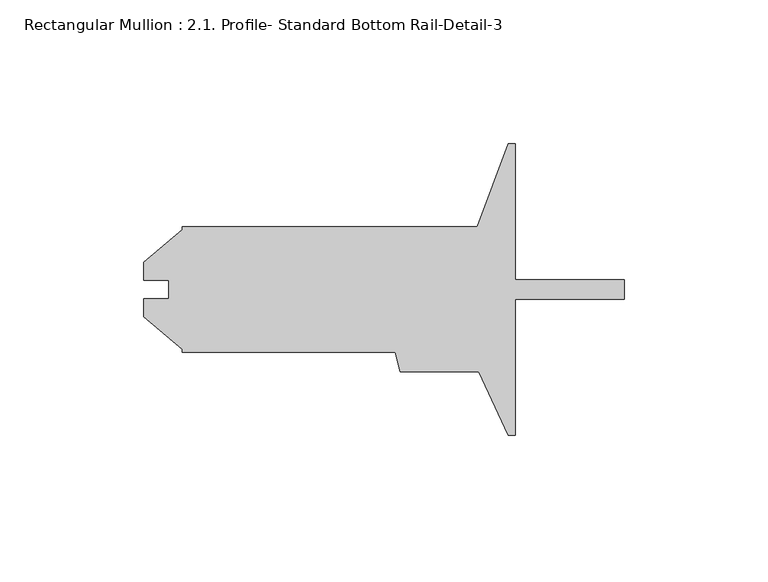
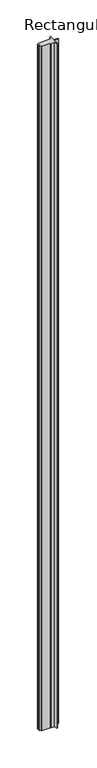
"""IFC4 building model written with IfcOpenShell, lengths in millimetres: member geometry, Rectangular Mullion : 2.1. Profile- Standard Bottom Rail-Detail-3."""

from ifc_helpers import new_model, si_unit, frame, origin, place, context, project, spatial, polyline, outline, extrude, source, transform, mapped, element, save


def rectangular_mullion_2_1_profile_standard_bottom_rail_detail_eb01d48e(model_context):
    return source(origin(), model_context, "Body", "SweptSolid", [
        extrude(outline(polyline([(-40.48125, 83.4429687), (-38.1, 83.4429687), (-38.1, 36.0084688), (0.0, 36.0084688), (0.0, 29.2774688), (-38.1, 29.2774688), (-38.1, -18.1570313), (-40.48125, -18.1570313), (-50.8, 4.0679688), (-78.0418226, 4.0679688), (-79.8317768, 10.7481688), (-153.98877, 10.7481688), (-153.98877, 11.8146755), (-167.45077, 23.1106347), (-167.45077, 29.4809133), (-158.76397, 29.4809133), (-158.76397, 35.8050242), (-167.45077, 35.8050242), (-167.45077, 42.1753028), (-153.98877, 53.471262), (-153.98877, 54.5377687), (-51.2594602, 54.5377687), (-40.48125, 83.4429687)])), frame((0.0, 0.0, -6000.75), z_axis=(0.0, 0.0, 1.0), x_axis=(1.0, 0.0, 0.0)), (0.0, 0.0, 1.0), 6000.75),
    ])


if __name__ == "__main__":
    model = new_model("IFC4")
    model_context = context("Model", 3, world=origin())
    ifc_project = project(units=[si_unit("LENGTHUNIT", "METRE", prefix="MILLI")], contexts=[model_context])
    site = spatial("IfcSite", under=ifc_project)
    building = spatial("IfcBuilding", under=site)
    placement = place(None, origin())
    rectangular_mullion_2_1_profile_standard_bottom_rail_detail_shape = rectangular_mullion_2_1_profile_standard_bottom_rail_detail_eb01d48e(model_context)
    element("IfcMember", 1, ObjectType="Rectangular Mullion : 2.1. Profile- Standard Bottom Rail-Detail-3", at=placement, inside=building, context=model_context, shape_type="MappedRepresentation", body=[
        mapped(rectangular_mullion_2_1_profile_standard_bottom_rail_detail_shape, transform((0.0, 0.0, 0.0), x_axis=(1.0, 0.0, 0.0), y_axis=(0.0, 1.0, 0.0), z_axis=(0.0, 0.0, 1.0))),
    ])
    save(model, "model.ifc")
